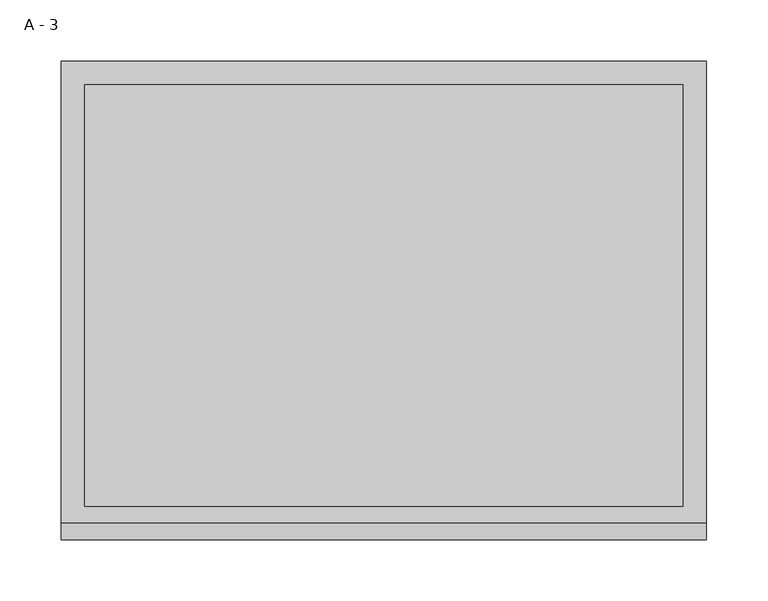
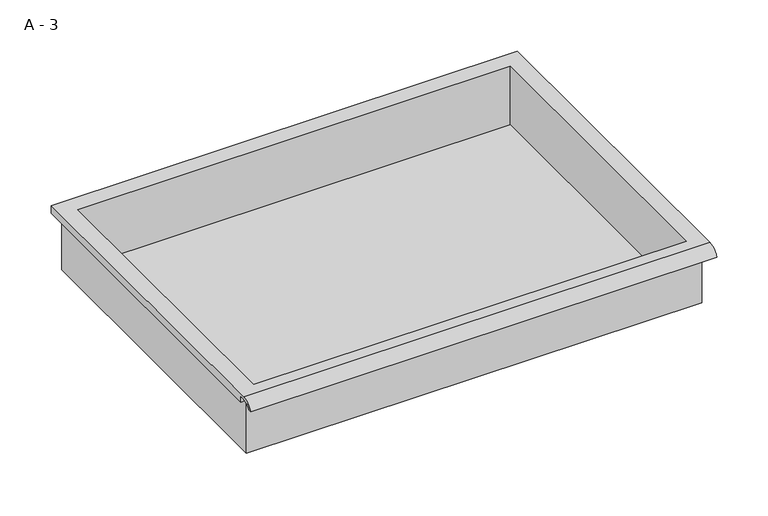
"""IFC4 building model written with IfcOpenShell, lengths in millimetres: furniture geometry, A - 3."""

import ifcopenshell
import ifcopenshell.guid

model = None  # the IFC model being written
_history = None  # IfcOwnerHistory: only IFC2X3 demands one
_inside = {}  # id of a spatial element -> (the spatial element, [elements in it])
_under = {}  # id of a project, library or spatial element -> (it, [spatial elements below it])
_declared = {}  # id of a project -> (the project, [libraries it declares])
_typed = {}  # id of a type object -> (the type object, [elements of that type])
_made_of = {}  # id of a material, layer set ... -> (it, [elements and type objects made of it])


def new_model(schema):
    """Start an empty IFC model of exactly this schema.

    Asked for "IFC4X3", IfcOpenShell would pick the latest addendum, in which some entities
    have other attributes; the version numbers below select the first issue.
    IFC2X3 requires an IfcOwnerHistory on every rooted entity: one is made here for all.
    """
    global model, _history
    if schema == "IFC4X3":
        model = ifcopenshell.file(schema_version=(4, 3, 0, 0))
    else:
        model = ifcopenshell.file(schema=schema)
    _inside.clear()
    _under.clear()
    _declared.clear()
    _typed.clear()
    _made_of.clear()
    _history = None
    if model.schema == "IFC2X3":
        org = make("IfcOrganization", Name="unknown")
        user = make(
            "IfcPersonAndOrganization",
            ThePerson=make("IfcPerson", FamilyName="unknown"),
            TheOrganization=org,
        )
        app = make(
            "IfcApplication",
            ApplicationDeveloper=org,
            Version="unknown",
            ApplicationFullName="unknown",
            ApplicationIdentifier="unknown",
        )
        _history = make(
            "IfcOwnerHistory",
            OwningUser=user,
            OwningApplication=app,
            ChangeAction="ADDED",
            CreationDate=0,
        )
    return model


def make(cls, **values):
    """One entity of the class cls with the attributes given. An attribute that is None is left unset."""
    return model.create_entity(
        cls, **{name: value for name, value in values.items() if value is not None}
    )


def rooted(cls, **values):
    """An entity with a GlobalId (a new one), such as an element, a storey or a relation."""
    return make(cls, GlobalId=ifcopenshell.guid.new(), OwnerHistory=_history, **values)


def si_unit(unit_type, name, prefix=None):
    """IfcSIUnit, for example si_unit("LENGTHUNIT", "METRE", prefix="MILLI")."""
    return make("IfcSIUnit", UnitType=unit_type, Prefix=prefix, Name=name)


def assignment(units):
    """IfcUnitAssignment: the units of a project."""
    return None if units is None else make("IfcUnitAssignment", Units=units)


def point(xyz):
    """IfcCartesianPoint."""
    return None if xyz is None else make("IfcCartesianPoint", Coordinates=xyz)


def direction(xyz):
    """IfcDirection."""
    return None if xyz is None else make("IfcDirection", DirectionRatios=xyz)


def frame(location, z_axis=None, x_axis=None):
    """IfcAxis2Placement3D, a coordinate frame: its origin and axes. An axis left out is left unset."""
    return make(
        "IfcAxis2Placement3D",
        Location=point(location),
        Axis=direction(z_axis),
        RefDirection=direction(x_axis),
    )


def origin():
    """The frame at (0, 0, 0) with its axes left unset."""
    return frame((0.0, 0.0, 0.0))


def place(relative_to, where):
    """IfcLocalPlacement: puts the frame where relative to a parent placement (None: the world)."""
    return make(
        "IfcLocalPlacement", PlacementRelTo=relative_to, RelativePlacement=where
    )


def context(
    kind, dimensions, precision=None, world=None, true_north=None, identifier=None
):
    """IfcGeometricRepresentationContext, for example the 3D "Model" context."""
    return make(
        "IfcGeometricRepresentationContext",
        ContextIdentifier=identifier,
        ContextType=kind,
        CoordinateSpaceDimension=dimensions,
        Precision=precision,
        WorldCoordinateSystem=world,
        TrueNorth=true_north,
    )


def project(units=None, contexts=None):
    """IfcProject with its units and contexts."""
    return rooted(
        "IfcProject",
        Name="project",
        RepresentationContexts=contexts,
        UnitsInContext=assignment(units),
    )


def spatial(cls, under=None, at=None, **own):
    """A site, building, storey or space (cls), placed at a placement, below another one or the project."""
    s = rooted(cls, ObjectPlacement=at, **own)
    if under is not None:
        _under.setdefault(under.id(), (under, []))[1].append(s)
    return s


def polyline(points):
    """IfcPolyline through the points."""
    return make("IfcPolyline", Points=[point(p) for p in points])


def circle_curve(where, radius):
    """IfcCircle in the frame where."""
    return make("IfcCircle", Position=where, Radius=radius)


def shape(context_of_items, identifier, shape_type, items):
    """IfcShapeRepresentation: the items that make up one representation, for example the "Body"."""
    return make(
        "IfcShapeRepresentation",
        ContextOfItems=context_of_items,
        RepresentationIdentifier=identifier,
        RepresentationType=shape_type,
        Items=items,
    )


def source(mapping_origin, context_of_items, identifier, shape_type, items):
    """IfcRepresentationMap: a shape defined once, which mapped items show again and again."""
    return make(
        "IfcRepresentationMap",
        MappingOrigin=mapping_origin,
        MappedRepresentation=shape(context_of_items, identifier, shape_type, items),
    )


def transform(
    local_origin,
    x_axis=None,
    y_axis=None,
    z_axis=None,
    scale=None,
    scale2=None,
    scale3=None,
    uniform=True,
):
    """IfcCartesianTransformationOperator3D, or its non-uniform kind. x_axis, y_axis, z_axis: its Axis1, 2, 3."""
    if uniform:
        return make(
            "IfcCartesianTransformationOperator3D",
            Axis1=direction(x_axis),
            Axis2=direction(y_axis),
            LocalOrigin=point(local_origin),
            Scale=scale,
            Axis3=direction(z_axis),
        )
    return make(
        "IfcCartesianTransformationOperator3DnonUniform",
        Axis1=direction(x_axis),
        Axis2=direction(y_axis),
        LocalOrigin=point(local_origin),
        Scale=scale,
        Axis3=direction(z_axis),
        Scale2=scale2,
        Scale3=scale3,
    )


def mapped(mapping_source, mapping_target):
    """IfcMappedItem: shows the shape of a source again, moved by a transform."""
    return make(
        "IfcMappedItem", MappingSource=mapping_source, MappingTarget=mapping_target
    )


def made_of(thing, what):
    """Note that an element or type object is made of a material, layer set ...; save() writes the relation."""
    if what is not None:
        _made_of.setdefault(what.id(), (what, []))[1].append(thing)
    return thing


def element(
    cls,
    number,
    at=None,
    inside=None,
    cuts=None,
    type_object=None,
    material=None,
    context=None,
    identifier="Body",
    shape_type=None,
    held_by="IfcProductDefinitionShape",
    body=None,
    shapes=None,
    **own,
):
    """One element of the class cls, such as IfcWall. Its Tag is "e" and its number.

    at: its placement. inside: the storey or other place that contains it. cuts: it is an
    opening in that element (IfcRelVoidsElement). A single representation is given by context,
    identifier, shape_type and body (its items); several are given by shapes. held_by: the class
    of the entity that holds the representations. save() writes the other relations.
    """
    e = rooted(cls, Tag="e%d" % number, ObjectPlacement=at, **own)
    if body is not None:
        shapes = [shape(context, identifier, shape_type, body)]
    if shapes is not None:
        e.Representation = make(held_by, Representations=shapes)
    if inside is not None:
        _inside.setdefault(inside.id(), (inside, []))[1].append(e)
    if cuts is not None:
        rooted(
            "IfcRelVoidsElement", RelatingBuildingElement=cuts, RelatedOpeningElement=e
        )
    if type_object is not None:
        _typed.setdefault(type_object.id(), (type_object, []))[1].append(e)
    return made_of(e, material)


def aggregate(whole, parts):
    """IfcRelAggregates: a whole, such as a stair, and the parts it consists of."""
    return rooted("IfcRelAggregates", RelatingObject=whole, RelatedObjects=parts)


def save(model, path):
    """Write the relations noted so far, then the file.

    IfcRelAggregates (storeys below a building ...), IfcRelContainedInSpatialStructure (elements
    in a storey), IfcRelDefinesByType, IfcRelAssociatesMaterial and IfcRelDeclares: one each for
    every whole, place, type object, material and project.
    """
    for whole, parts in _under.values():
        aggregate(whole, parts)
    for where, things in _inside.values():
        rooted(
            "IfcRelContainedInSpatialStructure",
            RelatedElements=things,
            RelatingStructure=where,
        )
    for kind, things in _typed.values():
        rooted("IfcRelDefinesByType", RelatedObjects=things, RelatingType=kind)
    for what, things in _made_of.values():
        rooted("IfcRelAssociatesMaterial", RelatedObjects=things, RelatingMaterial=what)
    for by, libraries in _declared.values():
        rooted("IfcRelDeclares", RelatingContext=by, RelatedDefinitions=libraries)
    model.write(path)


def plane_surface(at):
    """IfcPlane: the flat surface through the origin of the frame at, square to its z axis."""
    return make("IfcPlane", Position=at)


def cylinder_surface(at, radius):
    """IfcCylindricalSurface: all points at the distance radius from the z axis of the frame at."""
    return make("IfcCylindricalSurface", Position=at, Radius=radius)


def revolved_surface(curve, axis_point, axis_direction):
    """IfcSurfaceOfRevolution: the curve turned about the line through axis_point along axis_direction."""
    return make(
        "IfcSurfaceOfRevolution",
        SweptCurve=make("IfcArbitraryOpenProfileDef", ProfileType="CURVE", Curve=curve),
        AxisPosition=make("IfcAxis1Placement", Location=point(axis_point), Axis=direction(axis_direction)),
    )


def advanced_brep(points, edges, surfaces, faces):
    """IfcAdvancedBrep: a solid bounded by faces that lie on surfaces and meet in shared edges.

    An edge is (start, end): straight between two places in points (the first is 0);
    or (start, end, curve); or (start, end, curve, False) where it runs against its curve.
    A face is (place in surfaces, loops), or (place, loops, False) where it looks against
    its surface's normal. A loop lists edges by number (the first is 1), with a minus sign
    where the edge is run from its end to its start. The first loop is the outer one.
    """
    corners = [point(p) for p in points]
    vertices = [make("IfcVertexPoint", VertexGeometry=c) for c in corners]
    made = []
    for start, end, *more in edges:
        made.append(
            make(
                "IfcEdgeCurve",
                EdgeStart=vertices[start],
                EdgeEnd=vertices[end],
                EdgeGeometry=more[0] if more else make("IfcPolyline", Points=[corners[start], corners[end]]),
                SameSense=more[1] if len(more) > 1 else True,
            )
        )
    hull = []
    for where, loops, *sense in faces:
        bounds = []
        for j, loop in enumerate(loops):
            ring = [make("IfcOrientedEdge", EdgeElement=made[abs(k) - 1], Orientation=k > 0) for k in loop]
            bounds.append(
                make(
                    "IfcFaceOuterBound" if j == 0 else "IfcFaceBound",
                    Bound=make("IfcEdgeLoop", EdgeList=ring),
                    Orientation=True,
                )
            )
        hull.append(make("IfcAdvancedFace", Bounds=bounds, FaceSurface=surfaces[where], SameSense=sense[0] if sense else True))
    return make("IfcAdvancedBrep", Outer=make("IfcClosedShell", CfsFaces=hull))


def a_3_853e0a00(model_context):
    return source(origin(), model_context, "Body", "AdvancedBrep", [
        advanced_brep(
        [(-257.1076517, -176.2125, 818.34482), (257.2423483, -176.2125, 818.34482), (257.2423483, -176.2125, 881.84482), (263.5923483, -176.2125, 881.84482), (263.5923483, -176.2125, 888.1519541), (-263.4576517, -176.2125, 888.1519541), (-263.4576517, -176.2125, 881.84482), (-257.1076517, -176.2125, 881.84482), (257.2423483, 185.7375, 818.34482), (-257.1076517, 185.7375, 818.34482), (-257.1076517, 185.7375, 881.84482), (257.2423483, 185.7375, 881.84482), (263.5923483, -181.6070544, 891.36982), (263.5923483, 195.2625, 891.36982), (-263.4576517, 195.2625, 891.36982), (-263.4576517, -181.6070544, 891.36982), (244.5423483, -168.275, 891.36982), (-244.4076517, -168.275, 891.36982), (-244.4076517, 176.2125, 891.36982), (244.5423483, 176.2125, 891.36982), (263.5923483, -195.2625, 881.84482), (263.5923483, -191.8280601, 881.84482), (263.5923483, -180.4714815, 888.1519541), (263.5923483, 195.2625, 881.84482), (-263.4576517, 195.2625, 881.84482), (-263.4576517, -180.4714815, 888.1519541), (-263.4576517, -191.8280601, 881.84482), (-263.4576517, -195.2625, 881.84482), (-244.4076517, -168.275, 821.3709919), (244.5423483, -168.275, 821.3709919), (244.5423483, 176.2125, 821.3709919), (-244.4076517, 176.2125, 821.3709919)],
        [
            (0, 1),
            (1, 2),
            (2, 3),
            (3, 4),
            (4, 5),
            (5, 6),
            (6, 7),
            (7, 0),
            (8, 9),
            (9, 10),
            (10, 11),
            (11, 8),
            (0, 9),
            (8, 1),
            (11, 2),
            (12, 13),
            (13, 14),
            (14, 15),
            (15, 12),
            (16, 17),
            (17, 18),
            (18, 19),
            (19, 16),
            (7, 10),
            (12, 20, circle_curve(frame((263.5923483, -181.6070544, 876.8188059), z_axis=(1.0, 0.0, 0.0), x_axis=(0.0, 1.0, 0.0)), 14.5510141)),
            (20, 21),
            (21, 22, circle_curve(frame((263.5923483, -181.6070544, 876.8188059), z_axis=(-1.0, 0.0, 0.0), x_axis=(0.0, 1.0, 0.0)), 11.3898979)),
            (22, 4),
            (3, 23),
            (23, 13),
            (14, 24),
            (24, 6),
            (5, 25),
            (25, 26, circle_curve(frame((-263.4576517, -181.6070544, 876.8188059), z_axis=(1.0, 0.0, 0.0), x_axis=(0.0, 1.0, 0.0)), 11.3898979)),
            (26, 27),
            (27, 15, circle_curve(frame((-263.4576517, -181.6070544, 876.8188059), z_axis=(-1.0, 0.0, 0.0), x_axis=(0.0, 1.0, 0.0)), 14.5510141)),
            (27, 20),
            (26, 21),
            (25, 22),
            (24, 23),
            (28, 29),
            (29, 30),
            (30, 31),
            (31, 28),
            (28, 17),
            (16, 29),
            (19, 30),
            (18, 31),
        ],
        [
            plane_surface(frame((257.2423483, -176.2125, 818.34482), z_axis=(0.0, -1.0, 0.0), x_axis=(1.0, 0.0, 0.0))),
            plane_surface(frame((257.2423483, 185.7375, 818.34482), z_axis=(0.0, 1.0, 0.0), x_axis=(-1.0, 0.0, 0.0))),
            plane_surface(frame((-257.1076517, -176.2125, 818.34482), z_axis=(0.0, 0.0, -1.0), x_axis=(0.0, 1.0, 0.0))),
            plane_surface(frame((257.2423483, -176.2125, 818.34482), z_axis=(1.0, 0.0, 0.0), x_axis=(0.0, 1.0, 0.0))),
            plane_surface(frame((257.2423483, -176.2125, 891.36982), z_axis=(0.0, 0.0, 1.0), x_axis=(0.0, 1.0, 0.0))),
            plane_surface(frame((-257.1076517, -176.2125, 891.36982), z_axis=(-1.0, 0.0, 0.0), x_axis=(0.0, 1.0, 0.0))),
            plane_surface(frame((263.5923483, 195.2625, 891.36982), z_axis=(1.0, 0.0, 0.0), x_axis=(0.0, -1.0, 0.0))),
            plane_surface(frame((-263.4576517, 195.2625, 891.36982), z_axis=(-1.0, 0.0, 0.0), x_axis=(0.0, 1.0, 0.0))),
            cylinder_surface(frame((-263.4576517, -181.6070544, 876.8188059), z_axis=(1.0, 0.0, 0.0), x_axis=(0.0, 1.0, 0.0)), 14.5510141),
            plane_surface(frame((263.5923483, -195.2625, 881.84482), z_axis=(0.0, -7.212409108516038e-12, -1.0), x_axis=(-1.0, 0.0, 0.0))),
            revolved_surface(polyline([(-263.4576517, -170.21715650000002, 876.8188059), (263.59234829999997, -170.21715650000002, 876.8188059)]), (-263.4576517, -181.6070544, 876.8188059), (-1.0, 0.0, 0.0)),
            plane_surface(frame((263.5923483, -180.4714815, 888.1519541), z_axis=(0.0, -1.782962839538068e-11, -1.0), x_axis=(-1.0, 0.0, 0.0))),
            plane_surface(frame((263.5923483, -176.2125, 881.84482), z_axis=(0.0, 0.0, -1.0), x_axis=(-1.0, 0.0, 0.0))),
            plane_surface(frame((263.5923483, 195.2625, 881.84482), z_axis=(0.0, 1.0, 0.0), x_axis=(-1.0, 0.0, 0.0))),
            plane_surface(frame((244.5423483, -168.275, 821.3709919), z_axis=(0.0, 0.0, 1.0), x_axis=(-1.0, 0.0, 0.0))),
            plane_surface(frame((-244.4076517, -168.275, 891.36982), z_axis=(0.0, 1.0, 0.0), x_axis=(0.0, 0.0, -1.0))),
            plane_surface(frame((244.5423483, -168.275, 891.36982), z_axis=(-1.0, 0.0, 0.0), x_axis=(0.0, 0.0, -1.0))),
            plane_surface(frame((244.5423483, 176.2125, 891.36982), z_axis=(0.0, -1.0, 0.0), x_axis=(0.0, 0.0, -1.0))),
            plane_surface(frame((-244.4076517, 176.2125, 891.36982), z_axis=(1.0, 0.0, 0.0), x_axis=(0.0, 0.0, -1.0))),
        ],
        [
            (0, [[1, 2, 3, 4, 5, 6, 7, 8]]),
            (1, [[9, 10, 11, 12]]),
            (2, [[-1, 13, -9, 14]]),
            (3, [[-14, -12, 15, -2]]),
            (4, [[16, 17, 18, 19], [20, 21, 22, 23]]),
            (5, [[-13, -8, 24, -10]]),
            (6, [[-16, 25, 26, 27, 28, -4, 29, 30]]),
            (7, [[31, 32, -6, 33, 34, 35, 36, -18]]),
            (8, [[-25, -19, -36, 37]]),
            (9, [[-26, -37, -35, 38]]),
            (10, [[-27, -38, -34, 39]]),
            (11, [[-28, -39, -33, -5]]),
            (12, [[-29, -3, -15, -11, -24, -7, -32, 40]]),
            (13, [[-30, -40, -31, -17]]),
            (14, [[41, 42, 43, 44]]),
            (15, [[-41, 45, -20, 46]]),
            (16, [[-42, -46, -23, 47]]),
            (17, [[-43, -47, -22, 48]]),
            (18, [[-44, -48, -21, -45]]),
        ],
    ),
    ])


if __name__ == "__main__":
    model = new_model("IFC4")
    model_context = context("Model", 3, world=origin())
    ifc_project = project(units=[si_unit("LENGTHUNIT", "METRE", prefix="MILLI")], contexts=[model_context])
    site = spatial("IfcSite", under=ifc_project)
    building = spatial("IfcBuilding", under=site)
    placement = place(None, origin())
    a_3_shape = a_3_853e0a00(model_context)
    element("IfcFurniture", 1, ObjectType="A - 3", at=placement, inside=building, context=model_context, shape_type="MappedRepresentation", body=[
        mapped(a_3_shape, transform((0.0, 0.0, 0.0), x_axis=(1.0, 0.0, 0.0), y_axis=(0.0, 1.0, 0.0), z_axis=(0.0, 0.0, 1.0))),
    ])
    save(model, "model.ifc")
